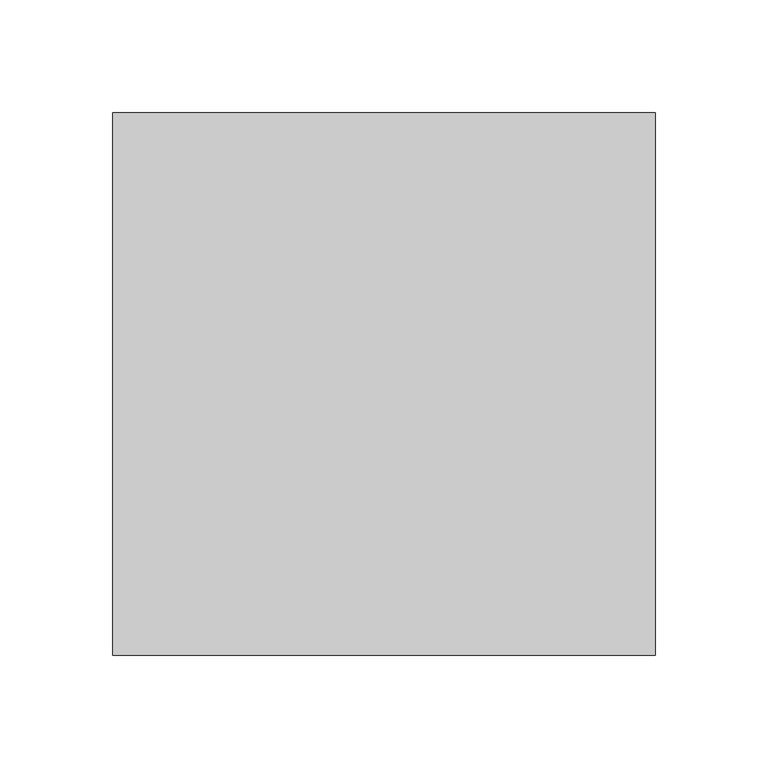
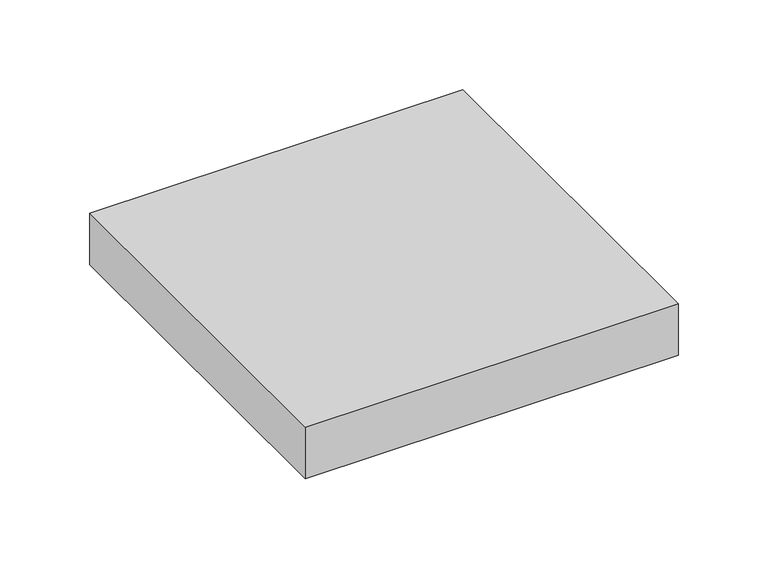
"""IFC4 building model written with IfcOpenShell, lengths in millimetres: proxy geometry."""

from ifc_helpers import new_model, si_unit, origin, origin_with_axes, place, context, project, spatial, polyline, outline, extrude, source, transform, mapped, element, save


def generic_models_8c1b5144(model_context):
    return source(origin(), model_context, "Body", "SweptSolid", [
        extrude(outline(polyline([(120.0, 120.0), (120.0, -120.0), (-120.0, -120.0), (-120.0, 120.0), (120.0, 120.0)])), origin_with_axes(), (0.0, 0.0, 1.0), 35.0),
    ])


if __name__ == "__main__":
    model = new_model("IFC4")
    model_context = context("Model", 3, world=origin())
    ifc_project = project(units=[si_unit("LENGTHUNIT", "METRE", prefix="MILLI")], contexts=[model_context])
    site = spatial("IfcSite", under=ifc_project)
    building = spatial("IfcBuilding", under=site)
    placement = place(None, origin())
    generic_models_shape = generic_models_8c1b5144(model_context)
    element("IfcBuildingElementProxy", 1, Name="Generic Models", at=placement, inside=building, context=model_context, shape_type="MappedRepresentation", body=[
        mapped(generic_models_shape, transform((0.0, 0.0, 0.0), x_axis=(1.0, 0.0, 0.0), y_axis=(0.0, 1.0, 0.0), z_axis=(0.0, 0.0, 1.0))),
    ])
    save(model, "model.ifc")
